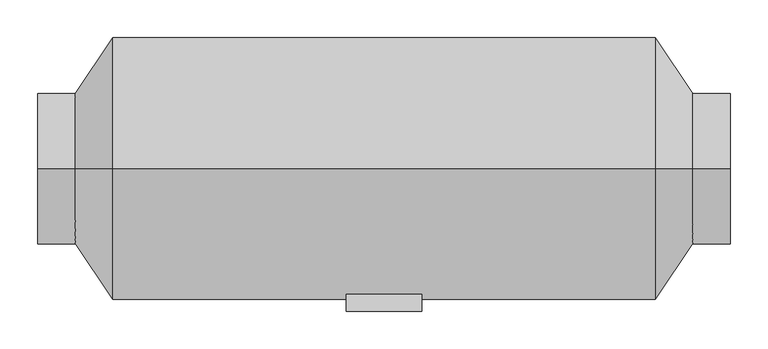
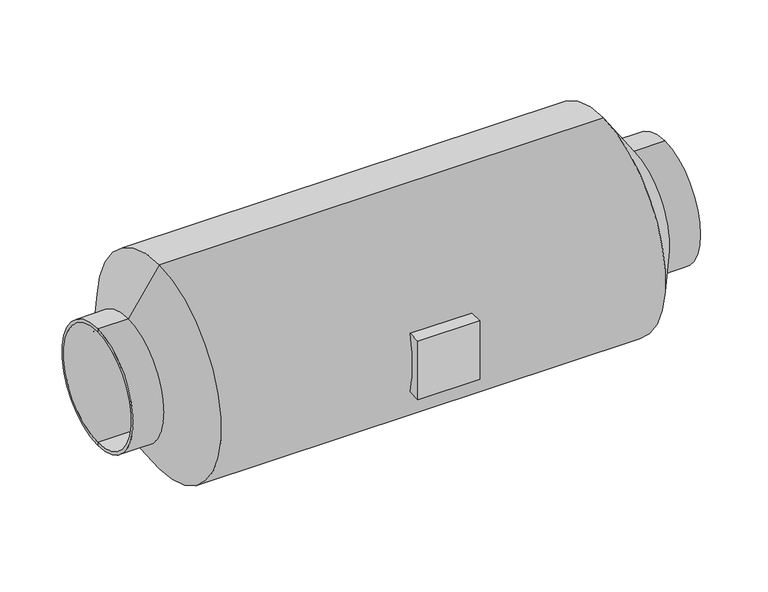
"""IFC4 building model written with IfcOpenShell, lengths in millimetres: proxy geometry."""

from ifc_helpers import new_model, si_unit, frame, origin, place, context, project, spatial, polyline, circle_curve, source, transform, mapped, element, save
from ifc_brep_helpers import plane_surface, cylinder_surface, revolved_surface, advanced_brep


def mechanical_equipment_ce535eff(model_context):
    return source(origin(), model_context, "Body", "AdvancedBrep", [
        advanced_brep(
        [(50.0, -190.0, 225.0), (-50.0, -190.0, 225.0), (-50.0, -190.0, 125.0), (50.0, -190.0, 125.0), (50.0, -167.7050983, 225.0), (-50.0, -167.7050983, 225.0), (-50.0, -167.7050983, 125.0), (50.0, -167.7050983, 125.0), (460.0, 0.0, 80.0), (460.0, 0.0, 270.0), (-460.0, 0.0, 270.0), (-460.0, 0.0, 80.0), (460.0, 0.0, 75.0), (460.0, 0.0, 275.0), (-360.0, 0.0, 0.0), (-360.0, 0.0, 350.0), (360.0, 0.0, 350.0), (360.0, 0.0, 0.0), (-460.0, 0.0, 275.0), (-460.0, 0.0, 75.0), (410.0, 0.0, 75.0), (410.0, 0.0, 275.0), (-410.0, 0.0, 75.0), (-410.0, 0.0, 275.0)],
        [
            (0, 1),
            (1, 2),
            (2, 3),
            (3, 0),
            (0, 4),
            (4, 5),
            (5, 1),
            (5, 6, circle_curve(frame((-50.0, 0.0, 175.0), z_axis=(1.0, 0.0, 0.0), x_axis=(0.0, 0.0, 1.0)), 175.0)),
            (6, 2),
            (6, 7),
            (7, 3),
            (7, 4, circle_curve(frame((50.0, 0.0, 175.0), z_axis=(-1.0, 0.0, 0.0), x_axis=(0.0, 0.0, 1.0)), 175.0)),
            (8, 9, circle_curve(frame((460.0, 0.0, 175.0), z_axis=(1.0, 0.0, 0.0), x_axis=(0.0, 0.0, 1.0)), 95.0)),
            (9, 10),
            (10, 11, circle_curve(frame((-460.0, 0.0, 175.0), z_axis=(-1.0, 0.0, 0.0), x_axis=(0.0, 0.0, 1.0)), 95.0)),
            (11, 8),
            (9, 8, circle_curve(frame((460.0, 0.0, 175.0), z_axis=(1.0, 0.0, 0.0), x_axis=(0.0, 0.0, 1.0)), 95.0)),
            (11, 10, circle_curve(frame((-460.0, 0.0, 175.0), z_axis=(-1.0, 0.0, 0.0), x_axis=(0.0, 0.0, 1.0)), 95.0)),
            (8, 12),
            (12, 13, circle_curve(frame((460.0, 0.0, 175.0), z_axis=(1.0, 0.0, 0.0), x_axis=(0.0, 0.0, 1.0)), 100.0)),
            (13, 9),
            (13, 12, circle_curve(frame((460.0, 0.0, 175.0), z_axis=(1.0, 0.0, 0.0), x_axis=(0.0, 0.0, 1.0)), 100.0)),
            (14, 15, circle_curve(frame((-360.0, 0.0, 175.0), z_axis=(1.0, 0.0, 0.0), x_axis=(0.0, 0.0, 1.0)), 175.0)),
            (15, 16),
            (16, 17, circle_curve(frame((360.0, 0.0, 175.0), z_axis=(-1.0, 0.0, 0.0), x_axis=(0.0, 0.0, 1.0)), 175.0)),
            (17, 14),
            (15, 14, circle_curve(frame((-360.0, 0.0, 175.0), z_axis=(1.0, 0.0, 0.0), x_axis=(0.0, 0.0, 1.0)), 175.0)),
            (17, 16, circle_curve(frame((360.0, 0.0, 175.0), z_axis=(-1.0, 0.0, 0.0), x_axis=(0.0, 0.0, 1.0)), 175.0)),
            (10, 18),
            (18, 19, circle_curve(frame((-460.0, 0.0, 175.0), z_axis=(-1.0, 0.0, 0.0), x_axis=(0.0, 0.0, 1.0)), 100.0)),
            (19, 11),
            (19, 18, circle_curve(frame((-460.0, 0.0, 175.0), z_axis=(-1.0, 0.0, 0.0), x_axis=(0.0, 0.0, 1.0)), 100.0)),
            (12, 20),
            (20, 21, circle_curve(frame((410.0, 0.0, 175.0), z_axis=(1.0, 0.0, 0.0), x_axis=(0.0, 0.0, 1.0)), 100.0)),
            (21, 13),
            (21, 20, circle_curve(frame((410.0, 0.0, 175.0), z_axis=(1.0, 0.0, 0.0), x_axis=(0.0, 0.0, 1.0)), 100.0)),
            (16, 21),
            (20, 17),
            (14, 22),
            (22, 23, circle_curve(frame((-410.0, 0.0, 175.0), z_axis=(1.0, 0.0, 0.0), x_axis=(0.0, 0.0, 1.0)), 100.0)),
            (23, 15),
            (23, 22, circle_curve(frame((-410.0, 0.0, 175.0), z_axis=(1.0, 0.0, 0.0), x_axis=(0.0, 0.0, 1.0)), 100.0)),
            (18, 23),
            (22, 19),
        ],
        [
            plane_surface(frame((-50.0, -190.0, 225.0), z_axis=(0.0, -1.0, 0.0), x_axis=(-1.0, 0.0, 0.0))),
            plane_surface(frame((50.0, -190.0, 225.0), z_axis=(0.0, 0.0, 1.0), x_axis=(0.0, 1.0, 0.0))),
            plane_surface(frame((-50.0, -190.0, 225.0), z_axis=(-1.0, 0.0, 0.0), x_axis=(0.0, 1.0, 0.0))),
            plane_surface(frame((-50.0, -190.0, 125.0), z_axis=(0.0, 0.0, -1.0), x_axis=(0.0, 1.0, 0.0))),
            plane_surface(frame((50.0, -190.0, 125.0), z_axis=(1.0, 0.0, 0.0), x_axis=(0.0, 1.0, 0.0))),
            revolved_surface(polyline([(-460.0, 0.0, 270.0), (460.0, 0.0, 270.0)]), (-1169.5786453, 0.0, 175.0), (-1.0, 0.0, 0.0)),
            plane_surface(frame((460.0, 0.0, 175.0), z_axis=(1.0, 0.0, 0.0), x_axis=(0.0, 0.0, 1.0))),
            cylinder_surface(frame((-1169.5786453, 0.0, 175.0), z_axis=(-1.0, 0.0, 0.0), x_axis=(0.0, 0.0, 1.0)), 175.0),
            plane_surface(frame((-460.0, 0.0, 175.0), z_axis=(-1.0, 0.0, 0.0), x_axis=(0.0, 0.0, 1.0))),
            cylinder_surface(frame((-1169.5786453, 0.0, 175.0), z_axis=(-1.0, 0.0, 0.0), x_axis=(0.0, 0.0, 1.0)), 100.0),
            revolved_surface(polyline([(410.0, 0.0, 275.0), (360.0, 0.0, 350.0)]), (-1169.5786453, 0.0, 175.0), (-1.0, 0.0, 0.0)),
            revolved_surface(polyline([(-360.0, 0.0, 350.0), (-410.0, 0.0, 275.0)]), (-1169.5786453, 0.0, 175.0), (-1.0, 0.0, 0.0)),
        ],
        [
            (0, [[1, 2, 3, 4]]),
            (1, [[-1, 5, 6, 7]]),
            (2, [[-2, -7, 8, 9]]),
            (3, [[-3, -9, 10, 11]]),
            (4, [[-4, -11, 12, -5]]),
            (5, [[13, 14, 15, 16]]),
            (5, [[-14, 17, -16, 18]]),
            (6, [[-13, 19, 20, 21]]),
            (6, [[-17, -21, 22, -19]]),
            (7, [[23, 24, 25, 26]]),
            (7, [[-24, 27, -26, 28], [-6, -12, -10, -8]]),
            (8, [[-15, 29, 30, 31]]),
            (8, [[-18, -31, 32, -29]]),
            (9, [[-20, 33, 34, 35]]),
            (9, [[-22, -35, 36, -33]]),
            (10, [[-25, 37, -34, 38]]),
            (10, [[-28, -38, -36, -37]]),
            (11, [[-23, 39, 40, 41]]),
            (11, [[-27, -41, 42, -39]]),
            (9, [[-30, 43, -40, 44]]),
            (9, [[-32, -44, -42, -43]]),
        ],
    ),
    ])


if __name__ == "__main__":
    model = new_model("IFC4")
    model_context = context("Model", 3, world=origin())
    ifc_project = project(units=[si_unit("LENGTHUNIT", "METRE", prefix="MILLI")], contexts=[model_context])
    site = spatial("IfcSite", under=ifc_project)
    building = spatial("IfcBuilding", under=site)
    placement = place(None, origin())
    mechanical_equipment_shape = mechanical_equipment_ce535eff(model_context)
    element("IfcBuildingElementProxy", 1, Name="Mechanical Equipment", at=placement, inside=building, context=model_context, shape_type="MappedRepresentation", body=[
        mapped(mechanical_equipment_shape, transform((0.0, 0.0, 0.0), x_axis=(1.0, 0.0, 0.0), y_axis=(0.0, 1.0, 0.0), z_axis=(0.0, 0.0, 1.0))),
    ])
    save(model, "model.ifc")
